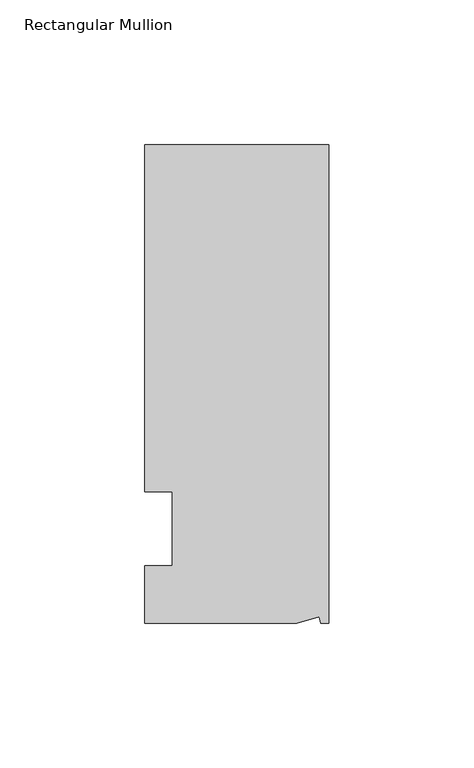
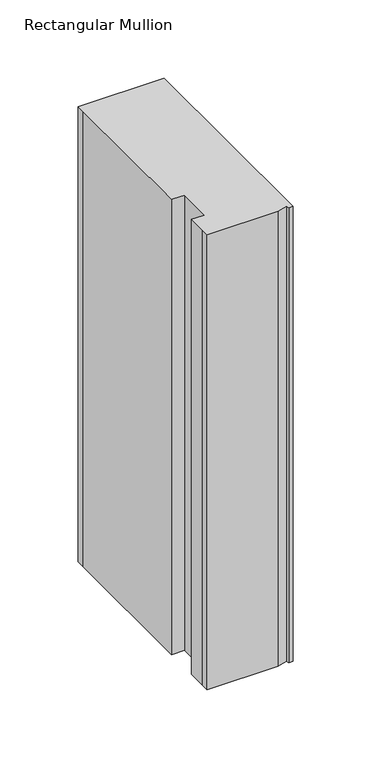
"""IFC4 building model written with IfcOpenShell, lengths in millimetres: member geometry, Rectangular Mullion."""

from ifc_helpers import new_model, si_unit, origin, place, context, project, spatial, faceted_brep, source, transform, mapped, element, save


def rectangular_mullion_ed36bdd6(model_context):
    return source(origin(), model_context, "Body", "Brep", [
        faceted_brep([(0.0, 132.5561012, 0.0), (-63.5, 132.5561012, 0.0), (-63.5, 126.2061012, 0.0), (-63.5, 12.8488281, 0.0), (-53.975, 12.8488281, 0.0), (-53.975, -12.7, 0.0), (-63.5, -12.7, 0.0), (-63.5, -26.1938988, 0.0), (-63.5076469, -32.5438988, 0.0), (-11.1125, -32.5438988, 0.0), (-3.3223696, -30.4565397, 0.0), (-2.7630634, -32.5438988, 0.0), (0.0, -32.5438988, 0.0), (0.0, 132.5561012, -355.6), (0.0, -32.5438988, -355.6), (-2.7630634, -32.5438988, -355.6), (-3.3223696, -30.4565397, -355.6), (-11.1125, -32.5438988, -355.6), (-63.5076469, -32.5438988, -355.6), (-63.5076469, -26.1938988, -355.6), (-63.5, -12.7, -355.6), (-53.975, -12.7, -355.6), (-53.975, 12.8488281, -355.6), (-63.5, 12.8488281, -355.6), (-63.5, 126.2061012, -355.6), (-63.5, 132.5561012, -355.6)], [[[0, 1, 2, 3, 4, 5, 6, 7, 8, 9, 10, 11, 12]], [[13, 14, 15, 16, 17, 18, 19, 20, 21, 22, 23, 24, 25]], [[0, 12, 14, 13]], [[1, 0, 13, 25]], [[3, 2, 24, 23]], [[4, 3, 23, 22]], [[5, 4, 22, 21]], [[6, 5, 21, 20]], [[7, 6, 20, 19]], [[9, 8, 18, 17]], [[10, 9, 17, 16]], [[11, 10, 16, 15]], [[12, 11, 15, 14]], [[2, 1, 25, 24]], [[8, 7, 19, 18]]]),
    ])


if __name__ == "__main__":
    model = new_model("IFC4")
    model_context = context("Model", 3, world=origin())
    ifc_project = project(units=[si_unit("LENGTHUNIT", "METRE", prefix="MILLI")], contexts=[model_context])
    site = spatial("IfcSite", under=ifc_project)
    building = spatial("IfcBuilding", under=site)
    placement = place(None, origin())
    rectangular_mullion_shape = rectangular_mullion_ed36bdd6(model_context)
    element("IfcMember", 1, ObjectType="Rectangular Mullion", at=placement, inside=building, context=model_context, shape_type="MappedRepresentation", body=[
        mapped(rectangular_mullion_shape, transform((0.0, 0.0, 0.0), x_axis=(1.0, 0.0, 0.0), y_axis=(0.0, 1.0, 0.0), z_axis=(0.0, 0.0, 1.0))),
    ])
    save(model, "model.ifc")
